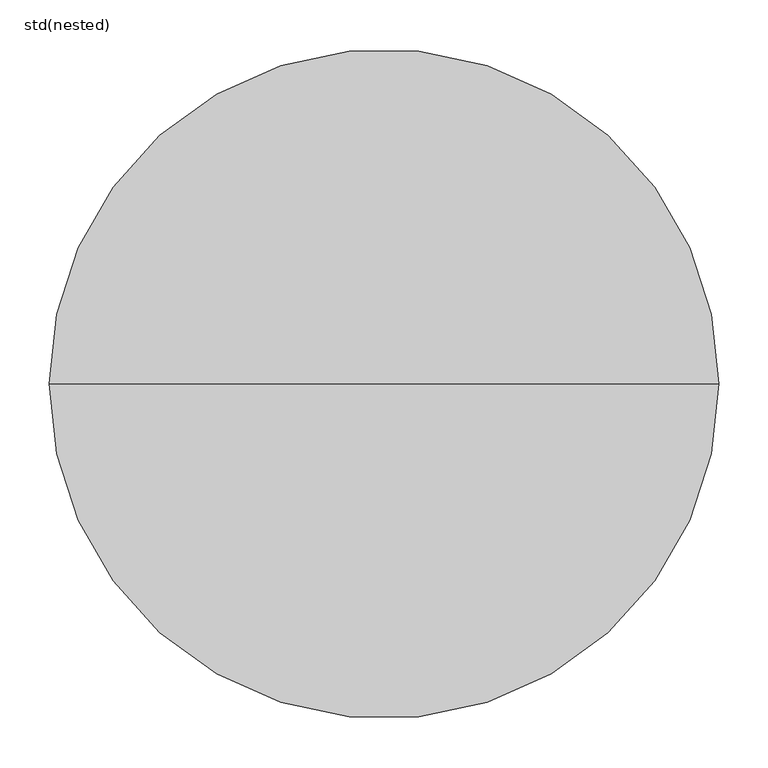
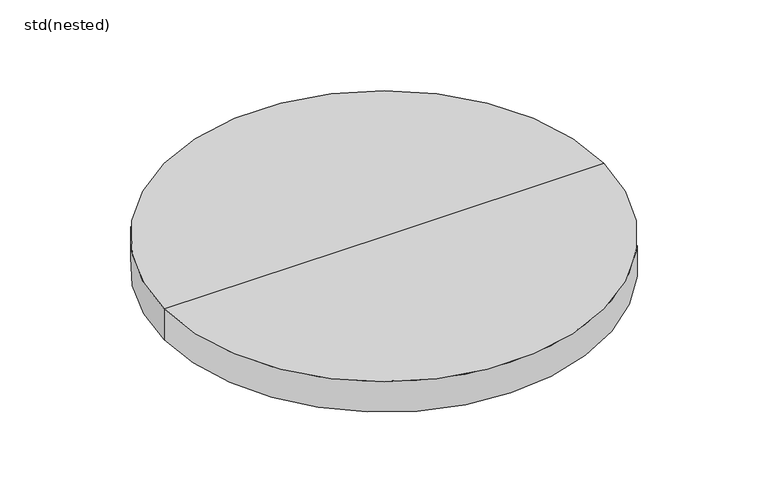
"""IFC4 building model written with IfcOpenShell, lengths in millimetres: sanitary terminal geometry, std(nested)."""

from ifc_helpers import new_model, si_unit, frame, origin, place, context, project, spatial, circle_curve, source, transform, mapped, element, save
from ifc_brep_helpers import plane_surface, cylinder_surface, advanced_brep


def std_nested_81ce578c(model_context):
    return source(origin(), model_context, "Body", "AdvancedBrep", [
        advanced_brep(
        [(340.0, 0.0, 0.0), (-340.0, 0.0, 0.0), (0.0, 0.0, 0.0), (340.0, 0.0, -50.0), (-340.0, 0.0, -50.0), (0.0, 0.0, -50.0)],
        [
            (0, 1, circle_curve(frame((0.0, 0.0, 0.0), z_axis=(0.0, 0.0, 1.0), x_axis=(-1.0, 0.0, 0.0)), 340.0)),
            (1, 2),
            (2, 0),
            (1, 0, circle_curve(frame((0.0, 0.0, 0.0), z_axis=(0.0, 0.0, 1.0), x_axis=(-1.0, 0.0, 0.0)), 340.0)),
            (3, 4, circle_curve(frame((0.0, 0.0, -50.0), z_axis=(0.0, 0.0, 1.0), x_axis=(-1.0, 0.0, 0.0)), 340.0)),
            (4, 1),
            (0, 3),
            (4, 3, circle_curve(frame((0.0, 0.0, -50.0), z_axis=(0.0, 0.0, 1.0), x_axis=(-1.0, 0.0, 0.0)), 340.0)),
            (5, 4),
            (3, 5),
        ],
        [
            plane_surface(frame((0.0, 0.0, 0.0), z_axis=(0.0, 0.0, 1.0), x_axis=(-1.0, 0.0, 0.0))),
            cylinder_surface(frame((0.0, 0.0, 320.0), z_axis=(0.0, 0.0, -1.0), x_axis=(-1.0, 0.0, 0.0)), 340.0),
            plane_surface(frame((0.0, 0.0, -50.0), z_axis=(0.0, 0.0, -1.0), x_axis=(-1.0, 0.0, 0.0))),
        ],
        [
            (0, [[1, 2, 3]]),
            (0, [[4, -3, -2]]),
            (1, [[5, 6, -1, 7]]),
            (1, [[8, -7, -4, -6]]),
            (2, [[9, -5, 10]]),
            (2, [[-10, -8, -9]]),
        ],
    ),
    ])


if __name__ == "__main__":
    model = new_model("IFC4")
    model_context = context("Model", 3, world=origin())
    ifc_project = project(units=[si_unit("LENGTHUNIT", "METRE", prefix="MILLI")], contexts=[model_context])
    site = spatial("IfcSite", under=ifc_project)
    building = spatial("IfcBuilding", under=site)
    placement = place(None, origin())
    std_nested_shape = std_nested_81ce578c(model_context)
    element("IfcSanitaryTerminal", 1, ObjectType="std(nested)", at=placement, inside=building, context=model_context, shape_type="MappedRepresentation", body=[
        mapped(std_nested_shape, transform((0.0, 0.0, 0.0), x_axis=(1.0, 0.0, 0.0), y_axis=(0.0, 1.0, 0.0), z_axis=(0.0, 0.0, 1.0))),
    ])
    save(model, "model.ifc")
